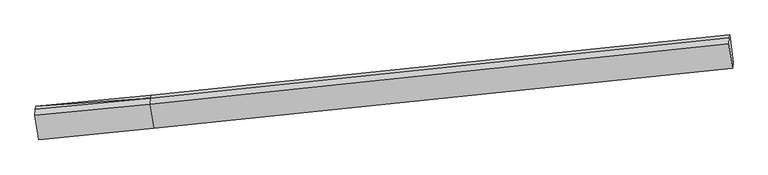
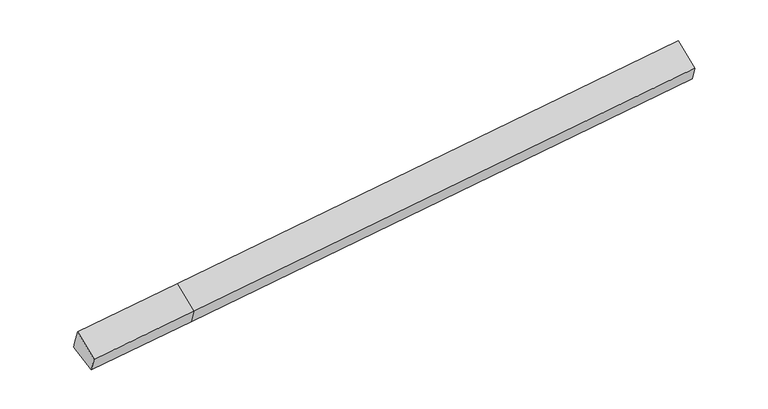
"""IFC4 building model written with IfcOpenShell, lengths in millimetres: proxy geometry."""

from ifc_helpers import new_model, si_unit, origin, place, context, project, spatial, faceted_brep, source, transform, mapped, element, save


def generic_models_766d0a78(model_context):
    return source(origin(), model_context, "Body", "Brep", [
        faceted_brep([(-6907.6121523, -2711.7917934, 1127.0866045), (-6998.4598504, -2003.7268889, 1387.8370345), (-4031.9028675, -1715.782746, 1589.5727093), (-3941.0551695, -2423.8476505, 1328.8222793), (-7004.6728056, -2080.4235849, 1593.9414158), (-4038.1158228, -1792.479442, 1795.6770907), (-7016.8553514, -2230.812727, 1998.0769614), (-4050.2983685, -1942.8685841, 2199.8126363), (-6919.772471, -2861.9065491, 1530.4848011), (-3953.2154881, -2573.9624062, 1732.2204759), (10899.244944, -385.3694521, 3232.2202486), (10996.3278244, -1016.4632743, 2764.6280882), (11008.4881431, -866.3485185, 2361.2298916), (10917.640445, -158.283614, 2621.9803217), (10911.4274897, -234.98031, 2828.084703)], [[[0, 1, 2, 3]], [[1, 4, 5]], [[4, 6, 7, 5]], [[6, 8, 9, 7]], [[8, 0, 3, 9]], [[10, 11, 12, 13, 14]], [[0, 8, 6, 4, 1]], [[5, 2, 1]], [[7, 9, 11, 10]], [[9, 3, 12, 11]], [[3, 2, 13, 12]], [[2, 5, 14, 13]], [[5, 7, 10, 14]]]),
    ])


if __name__ == "__main__":
    model = new_model("IFC4")
    model_context = context("Model", 3, world=origin())
    ifc_project = project(units=[si_unit("LENGTHUNIT", "METRE", prefix="MILLI")], contexts=[model_context])
    site = spatial("IfcSite", under=ifc_project)
    building = spatial("IfcBuilding", under=site)
    placement = place(None, origin())
    generic_models_shape = generic_models_766d0a78(model_context)
    element("IfcBuildingElementProxy", 1, Name="Generic Models", at=placement, inside=building, context=model_context, shape_type="MappedRepresentation", body=[
        mapped(generic_models_shape, transform((0.0, 0.0, 0.0), x_axis=(1.0, 0.0, 0.0), y_axis=(0.0, 1.0, 0.0), z_axis=(0.0, 0.0, 1.0))),
    ])
    save(model, "model.ifc")
